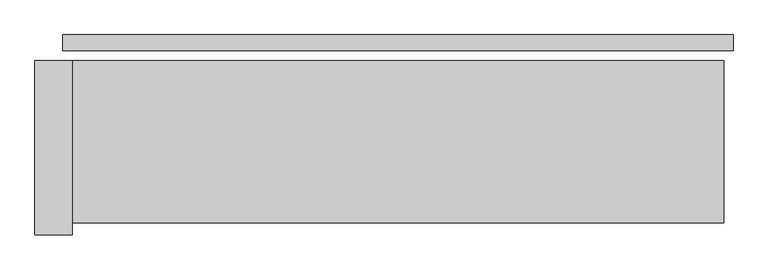
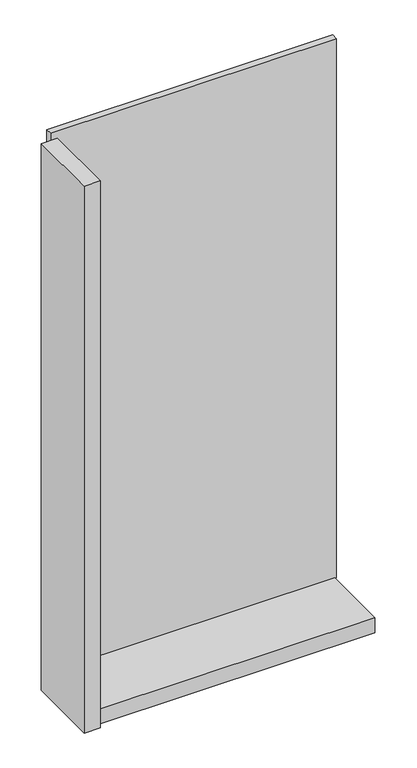
"""IFC4 building model written with IfcOpenShell, lengths in millimetres: plate geometry."""

from ifc_helpers import new_model, si_unit, frame, origin, origin_with_axes, place, context, project, spatial, polyline, outline, extrude, source, transform, mapped, element, save


def plate_6e68112e(model_context):
    return source(origin(), model_context, "Body", "SweptSolid", [
        extrude(outline(polyline([(536.7804486, 0.0), (536.7804486, -25.0), (-536.7804486, -25.0), (-536.7804486, 0.0), (536.7804486, 0.0)])), origin_with_axes(), (0.0, 0.0, 1.0), 2142.0),
        extrude(outline(polyline([(-521.7804486, -41.0), (-521.7804486, -321.0), (-581.7804486, -321.0), (-581.7804486, -41.0), (-521.7804486, -41.0)])), frame((0.0, 0.0, -45.0), z_axis=(0.0, 0.0, 1.0), x_axis=(1.0, 0.0, 0.0)), (0.0, 0.0, 1.0), 2172.0),
        extrude(outline(polyline([(521.7804486, -301.0), (-521.7804486, -301.0), (-521.7804486, -41.0), (521.7804486, -41.0), (521.7804486, -301.0)])), frame((0.0, 0.0, -45.0), z_axis=(0.0, 0.0, 1.0), x_axis=(1.0, 0.0, 0.0)), (0.0, 0.0, 1.0), 60.0),
    ])


if __name__ == "__main__":
    model = new_model("IFC4")
    model_context = context("Model", 3, world=origin())
    ifc_project = project(units=[si_unit("LENGTHUNIT", "METRE", prefix="MILLI")], contexts=[model_context])
    site = spatial("IfcSite", under=ifc_project)
    building = spatial("IfcBuilding", under=site)
    placement = place(None, origin())
    plate_shape = plate_6e68112e(model_context)
    element("IfcPlate", 1, at=placement, inside=building, context=model_context, shape_type="MappedRepresentation", body=[
        mapped(plate_shape, transform((0.0, 0.0, 0.0), x_axis=(1.0, 0.0, 0.0), y_axis=(0.0, 1.0, 0.0), z_axis=(0.0, 0.0, 1.0))),
    ])
    save(model, "model.ifc")
